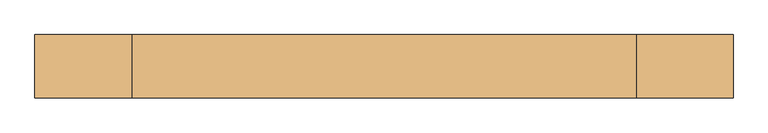
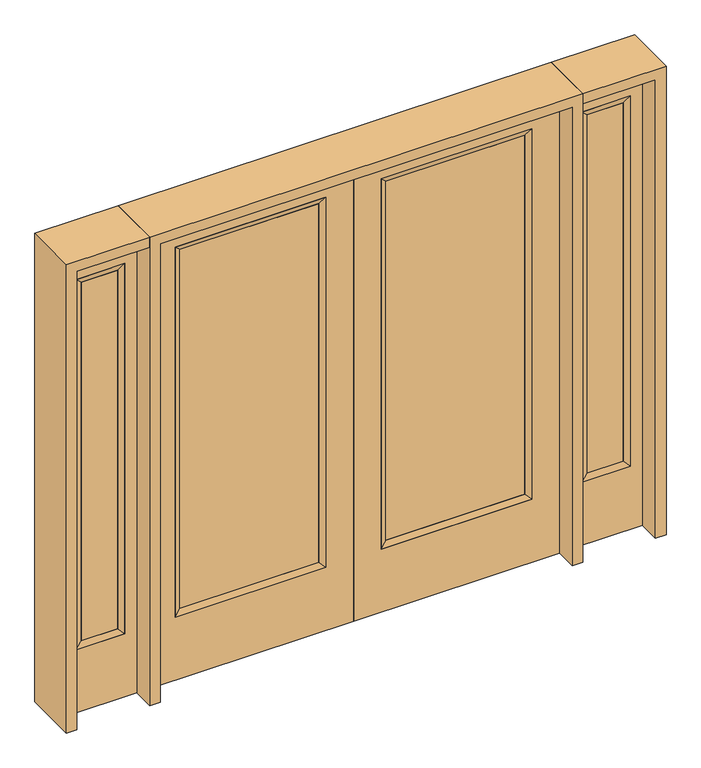
"""IFC4 building model written with IfcOpenShell, lengths in millimetres: door geometry."""

from ifc_helpers import new_model, si_unit, frame, origin, place, context, project, spatial, polyline, outline, extrude, faceted_brep, source, transform, mapped, element, save


def door_26c99bbf(model_context):
    return source(origin(), model_context, "Body", "SolidModel", [
        extrude(outline(polyline([(140.8176, -12.7039749), (140.8176, 14.2875), (722.7824, 14.2875), (722.7824, -12.7039749), (140.8176, -12.7039749)])), frame((0.0, 0.0, 304.8), z_axis=(0.0, 0.0, 1.0), x_axis=(1.0, 0.0, 0.0)), (0.0, 0.0, 1.0), 1590.675),
        faceted_brep([(140.8176, 14.2875, 1895.475), (140.8176, 14.2875, 304.8), (115.4176, 22.225, 279.4), (115.4176, 22.225, 1920.875), (115.4176, -22.225, 279.4), (115.4176, -22.225, 1920.875), (722.7824, 14.2875, 304.8), (748.1824, 22.225, 279.4), (140.8176, -12.7039749, 1895.475), (140.8176, -12.7039749, 304.8), (722.7824, -12.7039749, 304.8), (748.1824, -22.225, 279.4), (722.7824, 14.2875, 1895.475), (748.1824, 22.225, 1920.875), (722.7824, -12.7039749, 1895.475), (748.1824, -22.225, 1920.875)], [[[0, 1, 2, 3]], [[3, 2, 4, 5]], [[1, 6, 7, 2]], [[8, 9, 1, 0]], [[9, 10, 6, 1]], [[5, 4, 9, 8]], [[4, 11, 10, 9]], [[2, 7, 11, 4]], [[6, 12, 13, 7]], [[10, 14, 12, 6]], [[11, 15, 14, 10]], [[7, 13, 15, 11]], [[12, 0, 3, 13]], [[14, 8, 0, 12]], [[15, 5, 8, 14]], [[13, 3, 5, 15]]]),
        extrude(outline(polyline([(0.0, 863.6), (2032.0, 863.6), (2032.0, 0.0), (0.0, 0.0), (0.0, 863.6)]), holes=[polyline([(279.4, 748.1824), (279.4, 115.4176), (1920.875, 115.4176), (1920.875, 748.1824), (279.4, 748.1824)])]), frame((0.0, -22.225, 0.0), z_axis=(0.0, 1.0, 0.0), x_axis=(0.0, 0.0, 1.0)), (0.0, 0.0, 1.0), 44.45),
        extrude(outline(polyline([(-140.8176, -12.7039749), (-722.7824, -12.7039749), (-722.7824, 14.2875), (-140.8176, 14.2875), (-140.8176, -12.7039749)])), frame((0.0, 0.0, 304.8), z_axis=(0.0, 0.0, 1.0), x_axis=(1.0, 0.0, 0.0)), (0.0, 0.0, 1.0), 1590.675),
        faceted_brep([(-140.8176, 14.2875, 1895.475), (-115.4176, 22.225, 1920.875), (-115.4176, 22.225, 279.4), (-140.8176, 14.2875, 304.8), (-115.4176, -22.225, 1920.875), (-115.4176, -22.225, 279.4), (-748.1824, 22.225, 279.4), (-722.7824, 14.2875, 304.8), (-140.8176, -12.7039749, 1895.475), (-140.8176, -12.7039749, 304.8), (-722.7824, -12.7039749, 304.8), (-748.1824, -22.225, 279.4), (-748.1824, 22.225, 1920.875), (-722.7824, 14.2875, 1895.475), (-722.7824, -12.7039749, 1895.475), (-748.1824, -22.225, 1920.875)], [[[0, 1, 2, 3]], [[1, 4, 5, 2]], [[3, 2, 6, 7]], [[8, 0, 3, 9]], [[9, 3, 7, 10]], [[4, 8, 9, 5]], [[5, 9, 10, 11]], [[2, 5, 11, 6]], [[7, 6, 12, 13]], [[10, 7, 13, 14]], [[11, 10, 14, 15]], [[6, 11, 15, 12]], [[13, 12, 1, 0]], [[14, 13, 0, 8]], [[15, 14, 8, 4]], [[12, 15, 4, 1]]]),
        extrude(outline(polyline([(0.0, -863.6), (0.0, 0.0), (2032.0, 0.0), (2032.0, -863.6), (0.0, -863.6)]), holes=[polyline([(279.4, -748.1824), (1920.875, -748.1824), (1920.875, -115.4176), (279.4, -115.4176), (279.4, -748.1824)])]), frame((0.0, -22.225, 0.0), z_axis=(0.0, 1.0, 0.0), x_axis=(0.0, 0.0, 1.0)), (0.0, 0.0, 1.0), 44.45),
        faceted_brep([(958.85, 20.6375, 1920.875), (958.85, 20.6375, 279.4), (958.85, -20.6375, 279.4), (958.85, -20.6375, 1920.875), (984.25, -12.7, 304.8), (984.25, -12.7, 1895.475), (1162.05, 20.6375, 279.4), (1162.05, -20.6375, 279.4), (984.25, 12.7, 1895.475), (984.25, 12.7, 304.8), (1136.65, 12.7, 304.8), (1136.65, -12.7, 304.8), (1162.05, 20.6375, 1920.875), (1162.05, -20.6375, 1920.875), (1136.65, 12.7, 1895.475), (1136.65, -12.7, 1895.475)], [[[0, 1, 2, 3]], [[3, 2, 4, 5]], [[1, 6, 7, 2]], [[8, 9, 1, 0]], [[9, 10, 6, 1]], [[5, 4, 9, 8]], [[4, 11, 10, 9]], [[2, 7, 11, 4]], [[6, 12, 13, 7]], [[10, 14, 12, 6]], [[11, 15, 14, 10]], [[7, 13, 15, 11]], [[12, 0, 3, 13]], [[14, 8, 0, 12]], [[15, 5, 8, 14]], [[13, 3, 5, 15]]]),
        extrude(outline(polyline([(0.0, 1212.85), (2032.0, 1212.85), (2032.0, 908.05), (0.0, 908.05), (0.0, 1212.85)]), holes=[polyline([(1920.875, 958.85), (1920.875, 1162.05), (279.4, 1162.05), (279.4, 958.85), (1920.875, 958.85)])]), frame((0.0, -20.6375, 0.0), z_axis=(0.0, 1.0, 0.0), x_axis=(0.0, 0.0, 1.0)), (0.0, 0.0, 1.0), 41.275),
        extrude(outline(polyline([(984.25, -12.7), (984.25, 12.7), (1136.65, 12.7), (1136.65, -12.7), (984.25, -12.7)])), frame((0.0, 0.0, 304.8), z_axis=(0.0, 0.0, 1.0), x_axis=(1.0, 0.0, 0.0)), (0.0, 0.0, 1.0), 1590.675),
        faceted_brep([(-958.85, 20.6375, 1920.875), (-958.85, -20.6375, 1920.875), (-958.85, -20.6375, 279.4), (-958.85, 20.6375, 279.4), (-984.25, -12.7, 1895.475), (-984.25, -12.7, 304.8), (-1162.05, -20.6375, 279.4), (-1162.05, 20.6375, 279.4), (-984.25, 12.7, 1895.475), (-984.25, 12.7, 304.8), (-1136.65, 12.7, 304.8), (-1136.65, -12.7, 304.8), (-1162.05, -20.6375, 1920.875), (-1162.05, 20.6375, 1920.875), (-1136.65, 12.7, 1895.475), (-1136.65, -12.7, 1895.475)], [[[0, 1, 2, 3]], [[1, 4, 5, 2]], [[3, 2, 6, 7]], [[8, 0, 3, 9]], [[9, 3, 7, 10]], [[4, 8, 9, 5]], [[5, 9, 10, 11]], [[2, 5, 11, 6]], [[7, 6, 12, 13]], [[10, 7, 13, 14]], [[11, 10, 14, 15]], [[6, 11, 15, 12]], [[13, 12, 1, 0]], [[14, 13, 0, 8]], [[15, 14, 8, 4]], [[12, 15, 4, 1]]]),
        extrude(outline(polyline([(0.0, -1212.85), (0.0, -908.05), (2032.0, -908.05), (2032.0, -1212.85), (0.0, -1212.85)]), holes=[polyline([(1920.875, -958.85), (279.4, -958.85), (279.4, -1162.05), (1920.875, -1162.05), (1920.875, -958.85)])]), frame((0.0, -20.6375, 0.0), z_axis=(0.0, 1.0, 0.0), x_axis=(0.0, 0.0, 1.0)), (0.0, 0.0, 1.0), 41.275),
        extrude(outline(polyline([(-984.25, -12.7), (-1136.65, -12.7), (-1136.65, 12.7), (-984.25, 12.7), (-984.25, -12.7)])), frame((0.0, 0.0, 304.8), z_axis=(0.0, 0.0, 1.0), x_axis=(1.0, 0.0, 0.0)), (0.0, 0.0, 1.0), 1590.675),
        extrude(outline(polyline([(2032.0, -908.05), (2076.45, -908.05), (2076.45, -1257.3), (0.0, -1257.3), (0.0, -1212.85), (2032.0, -1212.85), (2032.0, -908.05)])), frame((0.0, -114.3, 0.0), z_axis=(0.0, 1.0, 0.0), x_axis=(0.0, 0.0, 1.0)), (0.0, 0.0, 1.0), 228.6),
        extrude(outline(polyline([(2076.45, -908.05), (0.0, -908.05), (0.0, -863.6), (2032.0, -863.6), (2032.0, 863.6), (0.0, 863.6), (0.0, 908.05), (2076.45, 908.05), (2076.45, -908.05)])), frame((0.0, -114.3, 0.0), z_axis=(0.0, 1.0, 0.0), x_axis=(0.0, 0.0, 1.0)), (0.0, 0.0, 1.0), 228.6),
        extrude(outline(polyline([(0.0, 1212.85), (0.0, 1257.3), (2076.45, 1257.3), (2076.45, 908.05), (2032.0, 908.05), (2032.0, 1212.85), (0.0, 1212.85)])), frame((0.0, -114.3, 0.0), z_axis=(0.0, 1.0, 0.0), x_axis=(0.0, 0.0, 1.0)), (0.0, 0.0, 1.0), 228.6),
    ])


if __name__ == "__main__":
    model = new_model("IFC4")
    model_context = context("Model", 3, world=origin())
    ifc_project = project(units=[si_unit("LENGTHUNIT", "METRE", prefix="MILLI")], contexts=[model_context])
    site = spatial("IfcSite", under=ifc_project)
    building = spatial("IfcBuilding", under=site)
    placement = place(None, origin())
    door_shape = door_26c99bbf(model_context)
    element("IfcDoor", 1, at=placement, inside=building, context=model_context, shape_type="MappedRepresentation", body=[
        mapped(door_shape, transform((0.0, 0.0, 0.0), x_axis=(1.0, 0.0, 0.0), y_axis=(0.0, 1.0, 0.0), z_axis=(0.0, 0.0, 1.0))),
    ])
    save(model, "model.ifc")
